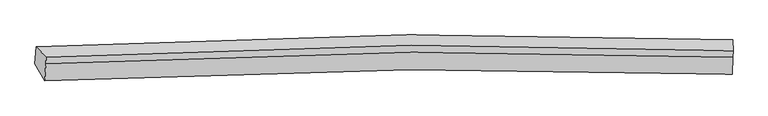
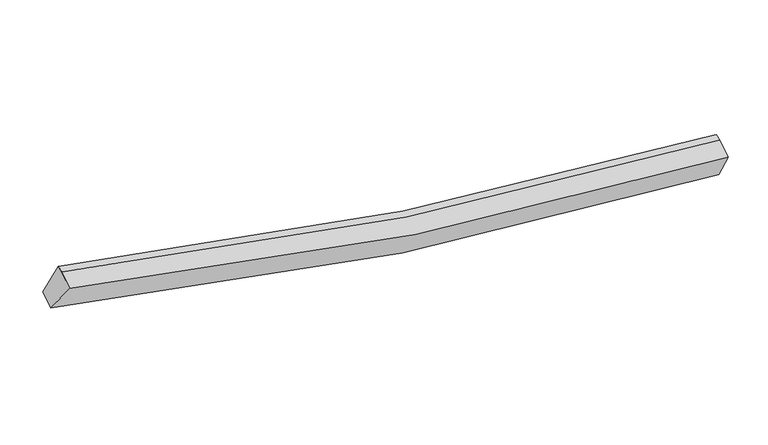
"""IFC4 building model written with IfcOpenShell, lengths in millimetres: proxy geometry."""

from ifc_helpers import new_model, si_unit, frame, origin, place, context, project, spatial, source, transform, mapped, element, save
from ifc_brep_helpers import plane_surface, spline_curve, spline_surface, advanced_brep


def generic_models_26d4e7ef(model_context):
    return source(origin(), model_context, "Body", "AdvancedBrep", [
        advanced_brep(
        [(-6768.8691001, -2552.1021069, 4444.0600583), (-6967.5209811, -2198.4790741, 3863.2602335), (7383.6072574, -2057.7615033, 1772.495891), (7385.9612808, -2413.9623817, 2384.8321127), (-6740.8245078, -2204.445143, 4605.3306276), (7400.9431289, -2066.4769619, 2548.2012881), (-6735.518958, -2071.6063335, 4649.213447), (7406.2486787, -1933.6381524, 2592.0841075), (-6943.1754139, -1852.8133852, 4012.0059124), (7398.2292756, -1712.223507, 1922.8037148)],
        [
            (0, 1),
            (1, 2, spline_curve(3, [(-6967.5209811, -2198.4790741, 3863.2602335), (-4444.030265133, -2064.60393662, 3165.978479276), (-1898.76118098, -1989.010932074, 2642.216450078), (2890.407617951, -1956.715197695, 1988.792800687), (5128.847946082, -1985.402344863, 1815.633381821), (7383.6072574, -2057.7615033, 1772.495891)], [4, 2, 4], [0.0, 25.385011133616853, 47.35911802096984])),
            (2, 3),
            (3, 0, spline_curve(3, [(7385.9612808, -2413.9623817, 2384.8321127), (5154.309924903, -2342.657355597, 2428.366781108), (2942.342425106, -2314.350243456, 2599.475978834), (-1782.519444963, -2346.012210224, 3243.206253931), (-4288.828739134, -2420.365896919, 3758.5063713), (-6768.8691001, -2552.1021069, 4444.0600583)], [4, 2, 4], [0.0, 21.974106887352985, 47.35911802096984])),
            (4, 0),
            (3, 5),
            (5, 4, spline_curve(3, [(7400.9431289, -2066.4769619, 2548.2012881), (5171.183011399, -1986.391066558, 2594.686288727), (2961.166644546, -1953.365000736, 2767.226296413), (-1759.361015817, -1983.610904263, 3410.765380358), (-4263.267194094, -2062.626363726, 3923.935151457), (-6740.8245078, -2204.445143, 4605.3306276)], [4, 2, 4], [0.0, 21.81231447695419, 47.01041916834963])),
            (6, 4),
            (5, 7),
            (7, 6, spline_curve(3, [(7406.2486787, -1933.6381524, 2592.0841075), (5176.724233183, -1847.651578737, 2640.518375625), (2966.834188383, -1811.462683973, 2814.103213064), (-1753.656889506, -1840.792662352, 3457.944868553), (-4257.689390516, -1922.970949858, 3970.069811725), (-6735.518958, -2071.6063335, 4649.213447)], [4, 2, 4], [0.0, 21.80229284789756, 46.98882031494966])),
            (8, 6),
            (7, 9),
            (9, 8, spline_curve(3, [(7398.2292756, -1712.223507, 1922.8037148), (5146.770194242, -1629.091504546, 1982.531085641), (2910.796606624, -1594.62083022, 2164.47076041), (-1874.852171909, -1625.204864687, 2819.986342381), (-4419.346813501, -1706.538831329, 3334.447399717), (-6943.1754139, -1852.8133852, 4012.0059124)], [4, 2, 4], [0.0, 21.954656795073113, 47.317198719287944])),
            (1, 8),
            (9, 2),
        ],
        [
            spline_surface(3, 3, [[(-6768.8691001, -2552.1021069, 4444.0600583), (-4288.828739537, -2420.365896989, 3758.506371471), (-1782.519445298, -2346.012209959, 3243.20625397), (2942.342425396, -2314.350243685, 2599.4759788), (5154.309924771, -2342.657355673, 2428.366781135), (7385.9612808, -2413.9623817, 2384.8321127)], [(-6835.086393763, -2434.227762645, 4250.460116708), (-4340.562581316, -2301.778576794, 3560.997074166), (-1821.266690385, -2227.011784002, 3042.876319453), (2925.030822816, -2195.13856167, 2395.91491934), (5145.82259857, -2223.572352125, 2224.122314787), (7385.176606348, -2295.228755561, 2180.72003881)], [(-6901.303687437, -2316.353418355, 4056.860175092), (-4392.296423106, -2183.191256562, 3363.487776838), (-1860.013935509, -2108.011358069, 2842.546384921), (2907.719220199, -2075.926879679, 2192.353859865), (5137.335272324, -2104.487348594, 2019.87784841), (7384.391931852, -2176.495129439, 1976.60796489)], [(-6967.5209811, -2198.4790741, 3863.2602335), (-4444.030264885, -2064.603936367, 3165.978479533), (-1898.761180596, -1989.010932111, 2642.216450404), (2890.407617619, -1956.715197663, 1988.792800405), (5128.847946123, -1985.402345045, 1815.633382063), (7383.6072574, -2057.7615033, 1772.495891)]], [4, 4], [4, 2, 4], [0.0, 2.3237423629140883], [0.0, 25.385011133616853, 47.35911802096984]),
            spline_surface(3, 3, [[(-6740.8245078, -2204.445143, 4605.3306276), (-4263.267193769, -2062.626363344, 3923.935151758), (-1759.361015397, -1983.610904165, 3410.765380133), (2961.166644183, -1953.365000821, 2767.226296608), (5171.1830114, -1986.391066328, 2594.686288412), (7400.9431289, -2066.4769619, 2548.2012881)], [(-6750.17270524, -2320.330797637, 4551.573771155), (-4271.787709032, -2181.872874563, 3868.792224984), (-1767.080492054, -2104.411339442, 3354.912338055), (2954.891904564, -2073.693415121, 2711.309523982), (5165.558649205, -2105.146496114, 2539.24645263), (7395.949179548, -2182.305435171, 2493.744896277)], [(-6759.52090266, -2436.216452263, 4497.816914745), (-4280.308224275, -2301.11938577, 3813.649298246), (-1774.799968642, -2225.211774683, 3299.059296048), (2948.617165015, -2194.021829385, 2655.392751426), (5159.934286966, -2223.901925887, 2483.806616916), (7390.955230152, -2298.133908429, 2439.288504523)], [(-6768.8691001, -2552.1021069, 4444.0600583), (-4288.828739537, -2420.365896989, 3758.506371471), (-1782.519445298, -2346.012209959, 3243.20625397), (2942.342425396, -2314.350243685, 2599.4759788), (5154.309924771, -2342.657355673, 2428.366781135), (7385.9612808, -2413.9623817, 2384.8321127)]], [4, 4], [4, 2, 4], [0.0, 1.3098355100640757], [0.0, 25.19810469139544, 47.01041916834963]),
            spline_surface(3, 3, [[(-6735.518958, -2071.6063335, 4649.213447), (-4257.689390465, -1922.970949963, 3970.069811547), (-1753.656889422, -1840.792661978, 3457.94486896), (2966.83418831, -1811.462684296, 2814.103212712), (5176.724232855, -1847.651578608, 2640.518375479), (7406.2486787, -1933.6381524, 2592.0841075)], [(-6737.2874746, -2115.885936667, 4634.585840558), (-4259.548658233, -1969.522754423, 3954.691591642), (-1755.558264728, -1888.398742705, 3442.21837271), (2964.945006953, -1858.763456468, 2798.477574037), (5174.877159037, -1893.898074514, 2625.241013147), (7404.4801621, -1977.917755567, 2577.456501058)], [(-6739.0559912, -2160.165539833, 4619.958234042), (-4261.407926001, -2016.074558884, 3939.313371663), (-1757.459640091, -1936.004823439, 3426.491876382), (2963.05582554, -1906.064228648, 2782.851935283), (5173.030085219, -1940.144570421, 2609.963650743), (7402.7116455, -2022.197358733, 2562.828894542)], [(-6740.8245078, -2204.445143, 4605.3306276), (-4263.267193769, -2062.626363344, 3923.935151758), (-1759.361015397, -1983.610904165, 3410.765380133), (2961.166644183, -1953.365000821, 2767.226296608), (5171.1830114, -1986.391066328, 2594.686288412), (7400.9431289, -2066.4769619, 2548.2012881)]], [4, 4], [4, 2, 4], [0.0, 0.49229705490393194], [0.0, 25.1865274670521, 46.98882031494966]),
            spline_surface(3, 3, [[(-6943.1754139, -1852.8133852, 4012.0059124), (-4419.346813151, -1706.538831581, 3334.447400133), (-1874.85217153, -1625.204864467, 2819.986342444), (2910.796606296, -1594.620830411, 2164.470760356), (5146.770194511, -1629.091504768, 1982.531085522), (7398.2292756, -1712.223507, 1922.8037148)], [(-6873.95659528, -1925.744367971, 4224.408423922), (-4365.461005603, -1778.682871046, 3546.32153726), (-1834.453744185, -1697.067463627, 3032.639184605), (2929.475800276, -1666.901448362, 2381.014911129), (5156.754873936, -1701.944862693, 2201.860182162), (7400.902409944, -1786.028388779, 2145.897179022)], [(-6804.73777662, -1998.675350729, 4436.810935478), (-4311.575198013, -1850.826910498, 3758.19567442), (-1794.055316766, -1768.930062818, 3245.292026799), (2948.15499433, -1739.182066345, 2597.559061938), (5166.73955343, -1774.798220682, 2421.189278838), (7403.575544356, -1859.833270621, 2368.990643278)], [(-6735.518958, -2071.6063335, 4649.213447), (-4257.689390465, -1922.970949963, 3970.069811547), (-1753.656889422, -1840.792661978, 3457.94486896), (2966.83418831, -1811.462684296, 2814.103212712), (5176.724232855, -1847.651578608, 2640.518375479), (7406.2486787, -1933.6381524, 2592.0841075)]], [4, 4], [4, 2, 4], [0.0, 2.2465928804490636], [0.0, 25.36254192421483, 47.317198719287944]),
            spline_surface(3, 3, [[(-6967.5209811, -2198.4790741, 3863.2602335), (-4444.030264885, -2064.603936367, 3165.978479533), (-1898.761180596, -1989.010932111, 2642.216450404), (2890.407617619, -1956.715197663, 1988.792800405), (5128.847946123, -1985.402345045, 1815.633382063), (7383.6072574, -2057.7615033, 1772.495891)], [(-6959.405792017, -2083.25717778, 3912.842126457), (-4435.802447624, -1945.248901418, 3222.13478639), (-1890.791510891, -1867.742242906, 2701.473081088), (2897.203947195, -1836.017075255, 2047.352120392), (5134.822028913, -1866.632064975, 1871.265949883), (7388.481263461, -1942.582171222, 1822.598498933)], [(-6951.290602983, -1968.03528152, 3962.424019443), (-4427.574630412, -1825.89386653, 3278.291093275), (-1882.821841235, -1746.473553672, 2760.72971176), (2904.00027672, -1715.318952819, 2105.911440368), (5140.796111721, -1747.861784838, 1926.898517702), (7393.355269539, -1827.402839078, 1872.701106867)], [(-6943.1754139, -1852.8133852, 4012.0059124), (-4419.346813151, -1706.538831581, 3334.447400133), (-1874.85217153, -1625.204864467, 2819.986342444), (2910.796606296, -1594.620830411, 2164.470760356), (5146.770194511, -1629.091504768, 1982.531085522), (7398.2292756, -1712.223507, 1922.8037148)]], [4, 4], [4, 2, 4], [0.0, 1.3265828481899642], [0.0, 25.549345601673746, 47.66570585056166]),
            plane_surface(frame((7394.9979243, -2036.8125012, 2244.0834228), z_axis=(0.9992169144939811, -0.032411210127449214, -0.022695181144965493), x_axis=(-0.03789678429063648, -0.9488486392827581, -0.3134487094752306))),
            plane_surface(frame((-6831.1817922, -2175.8892085, 4314.7740558), z_axis=(-0.9548849211424717, -0.05807309449260298, 0.29124268758337807), x_axis=(0.2804206126430596, -0.4991807125054485, 0.8198676089878438))),
        ],
        [
            (0, [[1, 2, 3, 4]]),
            (1, [[5, -4, 6, 7]]),
            (2, [[8, -7, 9, 10]]),
            (3, [[11, -10, 12, 13]]),
            (4, [[14, -13, 15, -2]]),
            (5, [[-9, -6, -3, -15, -12]]),
            (6, [[-1, -5, -8, -11, -14]]),
        ],
    ),
    ])


if __name__ == "__main__":
    model = new_model("IFC4")
    model_context = context("Model", 3, world=origin())
    ifc_project = project(units=[si_unit("LENGTHUNIT", "METRE", prefix="MILLI")], contexts=[model_context])
    site = spatial("IfcSite", under=ifc_project)
    building = spatial("IfcBuilding", under=site)
    placement = place(None, origin())
    generic_models_shape = generic_models_26d4e7ef(model_context)
    element("IfcBuildingElementProxy", 1, Name="Generic Models", at=placement, inside=building, context=model_context, shape_type="MappedRepresentation", body=[
        mapped(generic_models_shape, transform((0.0, 0.0, 0.0), x_axis=(1.0, 0.0, 0.0), y_axis=(0.0, 1.0, 0.0), z_axis=(0.0, 0.0, 1.0))),
    ])
    save(model, "model.ifc")
